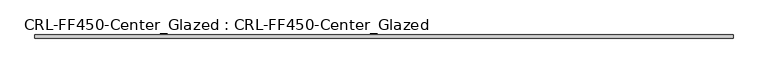
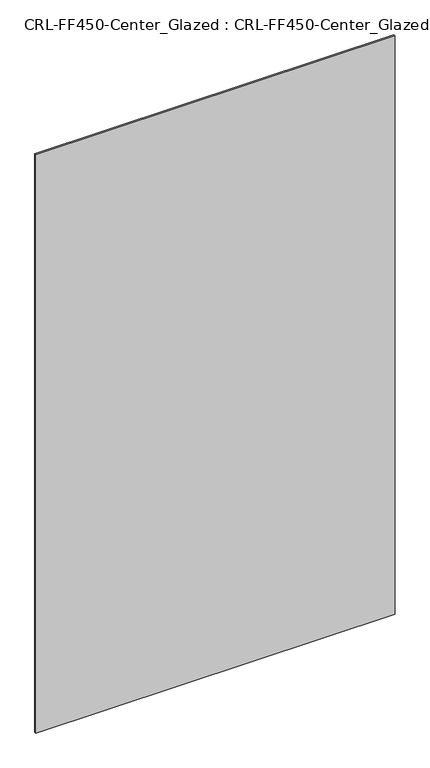
"""IFC4 building model written with IfcOpenShell, lengths in millimetres: plate geometry, CRL-FF450-Center_Glazed : CRL-FF450-Center_Glazed."""

from ifc_helpers import new_model, si_unit, origin, origin_with_axes, place, context, project, spatial, polyline, outline, extrude, source, transform, mapped, element, save


def crl_ff450_center_glazed_crl_ff450_center_glazed_195b39f0(model_context):
    return source(origin(), model_context, "Body", "SweptSolid", [
        extrude(outline(polyline([(621.2370146, 3.1749999), (621.2370146, -3.1749999), (-621.2370146, -3.1749999), (-621.2370146, 3.1749999), (621.2370146, 3.1749999)])), origin_with_axes(), (0.0, 0.0, 1.0), 2114.5499801),
    ])


if __name__ == "__main__":
    model = new_model("IFC4")
    model_context = context("Model", 3, world=origin())
    ifc_project = project(units=[si_unit("LENGTHUNIT", "METRE", prefix="MILLI")], contexts=[model_context])
    site = spatial("IfcSite", under=ifc_project)
    building = spatial("IfcBuilding", under=site)
    placement = place(None, origin())
    crl_ff450_center_glazed_crl_ff450_center_glazed_shape = crl_ff450_center_glazed_crl_ff450_center_glazed_195b39f0(model_context)
    element("IfcPlate", 1, ObjectType="CRL-FF450-Center_Glazed : CRL-FF450-Center_Glazed", at=placement, inside=building, context=model_context, shape_type="MappedRepresentation", body=[
        mapped(crl_ff450_center_glazed_crl_ff450_center_glazed_shape, transform((0.0, 0.0, 0.0), x_axis=(1.0, 0.0, 0.0), y_axis=(0.0, 1.0, 0.0), z_axis=(0.0, 0.0, 1.0))),
    ])
    save(model, "model.ifc")
